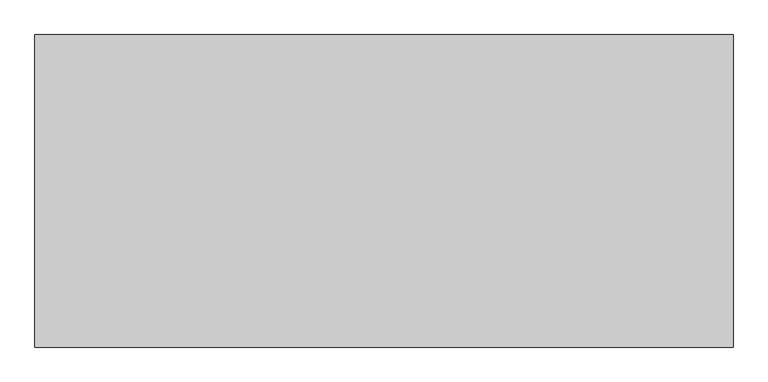
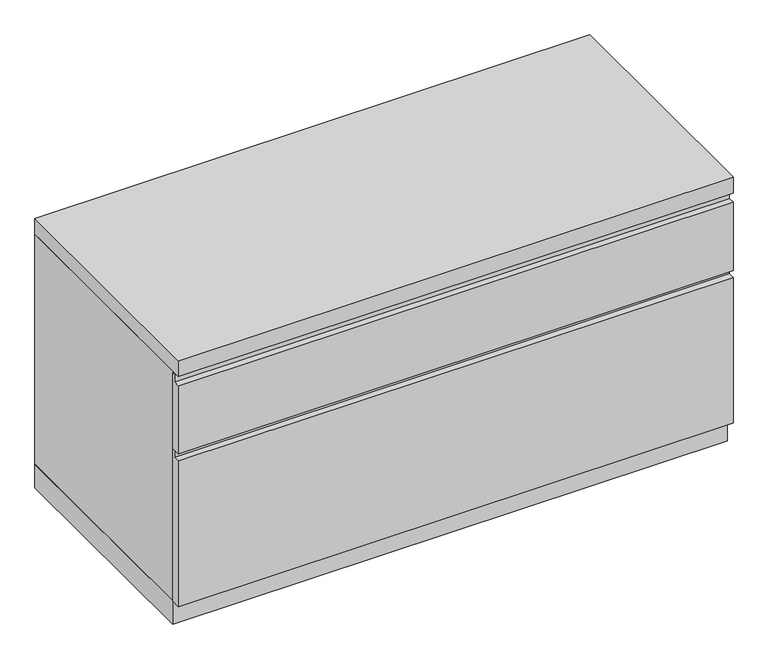
"""IFC4 building model written with IfcOpenShell, lengths in millimetres: furniture geometry."""

from ifc_helpers import new_model, si_unit, frame, origin, origin_with_axes, place, context, project, spatial, polyline, outline, extrude, source, transform, mapped, element, save


def furniture_14191335(model_context):
    return source(origin(), model_context, "Body", "SweptSolid", [
        extrude(outline(polyline([(-457.2, 357.1875), (-476.25, 357.1875), (-476.25, 495.3), (-463.55, 495.3), (-463.55, 509.5875), (-457.2, 509.5875), (-457.2, 357.1875)])), frame((-531.8125, 0.0, 0.0), z_axis=(1.0, 0.0, 0.0), x_axis=(0.0, 1.0, 0.0)), (0.0, 0.0, 1.0), 1063.625),
        extrude(outline(polyline([(-457.2, 47.625), (-476.25, 47.625), (-476.25, 342.9), (-463.55, 342.9), (-463.55, 357.1875), (-457.2, 357.1875), (-457.2, 47.625)])), frame((-531.8125, 0.0, 0.0), z_axis=(1.0, 0.0, 0.0), x_axis=(0.0, 1.0, 0.0)), (0.0, 0.0, 1.0), 1063.625),
        extrude(outline(polyline([(531.8125, 0.0), (531.8125, -457.2), (-531.8125, -457.2), (-531.8125, 0.0), (531.8125, 0.0)])), origin_with_axes(), (0.0, 0.0, 1.0), 47.625),
        extrude(outline(polyline([(531.8125, 0.0), (531.8125, -476.25), (-531.8125, -476.25), (-531.8125, 0.0), (531.8125, 0.0)])), frame((0.0, 0.0, 514.35), z_axis=(0.0, 0.0, 1.0), x_axis=(1.0, 0.0, 0.0)), (0.0, 0.0, 1.0), 31.75),
        extrude(outline(polyline([(531.8125, 0.0), (531.8125, -457.2), (512.7625, -457.2), (512.7625, -19.05), (-512.7625, -19.05), (-512.7625, -457.2), (-531.8125, -457.2), (-531.8125, 0.0), (531.8125, 0.0)])), frame((0.0, 0.0, 47.625), z_axis=(0.0, 0.0, 1.0), x_axis=(1.0, 0.0, 0.0)), (0.0, 0.0, 1.0), 466.725),
    ])


if __name__ == "__main__":
    model = new_model("IFC4")
    model_context = context("Model", 3, world=origin())
    ifc_project = project(units=[si_unit("LENGTHUNIT", "METRE", prefix="MILLI")], contexts=[model_context])
    site = spatial("IfcSite", under=ifc_project)
    building = spatial("IfcBuilding", under=site)
    placement = place(None, origin())
    furniture_shape = furniture_14191335(model_context)
    element("IfcFurniture", 1, at=placement, inside=building, context=model_context, shape_type="MappedRepresentation", body=[
        mapped(furniture_shape, transform((0.0, 0.0, 0.0), x_axis=(1.0, 0.0, 0.0), y_axis=(0.0, 1.0, 0.0), z_axis=(0.0, 0.0, 1.0))),
    ])
    save(model, "model.ifc")
